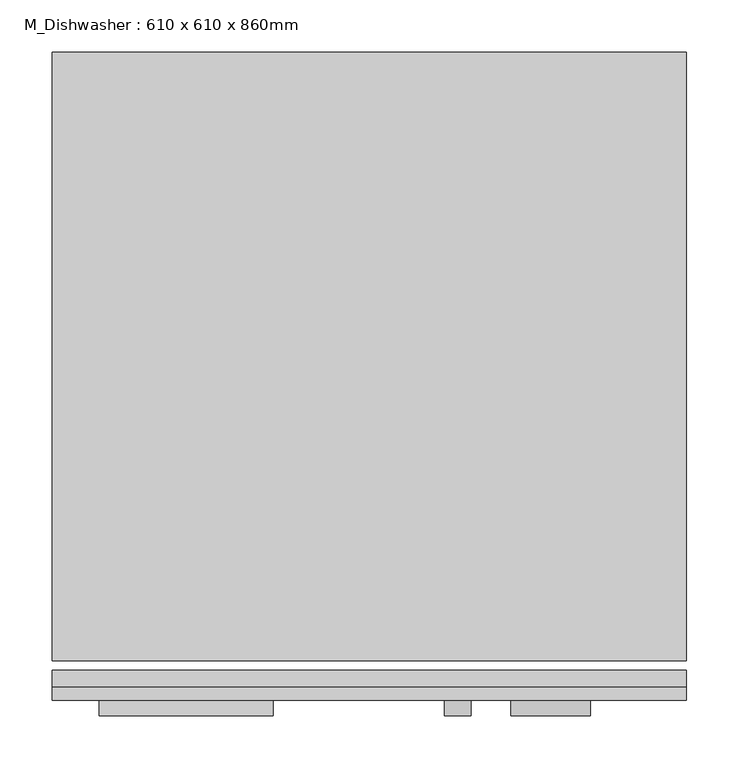
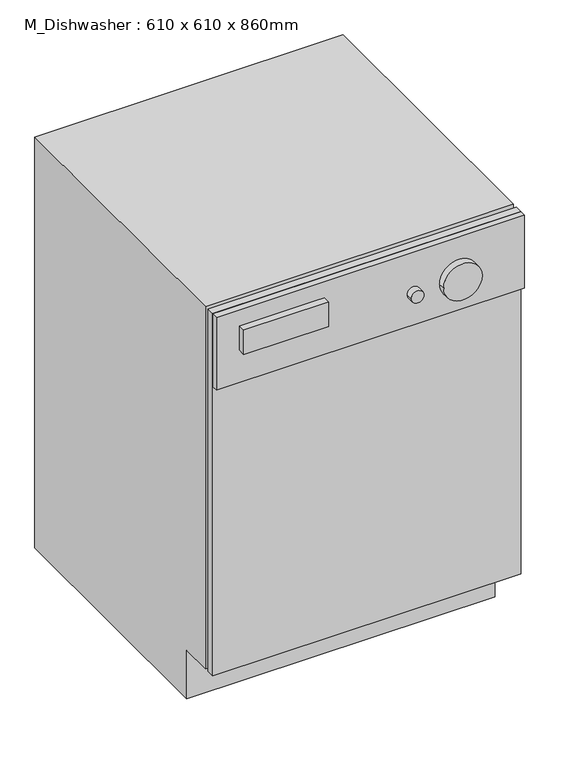
"""IFC4 building model written with IfcOpenShell, lengths in millimetres: proxy geometry, M_Dishwasher : 610 x 610 x 860mm."""

from ifc_helpers import new_model, si_unit, point, frame, frame_2d, origin, place, context, project, spatial, polyline, circle_curve, trimmed, segment, composite_curve, outline, extrude, faceted_brep, source, transform, mapped, element, save


def m_dishwasher_610_x_610_x_860mm_15a306fc(model_context):
    return source(origin(), model_context, "Body", "SolidModel", [
        faceted_brep([(687.5174685, 571.6495648, 0.0), (687.5174685, 571.6495648, 860.0), (687.5174685, -12.9504352, 860.0), (687.5174685, -12.9504352, 101.6), (687.5174685, 50.5495648, 101.6), (687.5174685, 50.5495648, 0.0), (77.5174685, 571.6495648, 0.0), (77.5174685, 50.5495648, 0.0), (77.5174685, 50.5495648, 101.6), (77.5174685, -12.9504352, 101.6), (77.5174685, -12.9504352, 860.0), (77.5174685, 571.6495648, 860.0), (494.4438484, 370.2504315, 0.0), (624.4438484, 370.2504315, 0.0), (624.4438484, 500.2504315, 0.0), (494.4438484, 500.2504315, 0.0), (494.4438484, 370.2504315, 25.9666701), (494.4438484, 500.2504315, 25.9666701), (624.4438484, 500.2504315, 25.9666701), (624.4438484, 370.2504315, 25.9666701)], [[[0, 1, 2, 3, 4, 5]], [[6, 7, 8, 9, 10, 11]], [[1, 0, 6, 11]], [[2, 1, 11, 10]], [[3, 2, 10, 9]], [[4, 3, 9, 8]], [[5, 4, 8, 7]], [[0, 5, 7, 6], [12, 13, 14, 15]], [[16, 17, 18, 19]], [[16, 19, 13, 12]], [[19, 18, 14, 13]], [[18, 17, 15, 14]], [[17, 16, 12, 15]]]),
        extrude(outline(polyline([(687.5174685, -38.3504352), (77.5174685, -38.3504352), (77.5174685, -22.4754352), (687.5174685, -22.4754352), (687.5174685, -38.3504352)])), frame((0.0, 0.0, 101.6), z_axis=(0.0, 0.0, 1.0), x_axis=(1.0, 0.0, 0.0)), (0.0, 0.0, 1.0), 758.4),
        extrude(outline(polyline([(687.5174685, -38.3504352), (687.5174685, -51.0504352), (77.5174685, -51.0504352), (77.5174685, -38.3504352), (687.5174685, -38.3504352)])), frame((0.0, 0.0, 707.6), z_axis=(0.0, 0.0, 1.0), x_axis=(1.0, 0.0, 0.0)), (0.0, 0.0, 1.0), 152.4),
        extrude(outline(polyline([(290.2347603, -66.0504352), (122.8347603, -66.0504352), (122.8347603, -51.0504352), (290.2347603, -51.0504352), (290.2347603, -66.0504352)])), frame((0.0, 0.0, 775.6663551), z_axis=(0.0, 0.0, 1.0), x_axis=(1.0, 0.0, 0.0)), (0.0, 0.0, 1.0), 50.8),
        extrude(outline(composite_curve([segment(trimmed(circle_curve(frame_2d((775.6663551, 467.3393328)), 12.7), [point((775.6663551, 480.0393328))], [point((775.6663551, 454.6393328))], False, "CARTESIAN"), True, "CONTINUOUS"), segment(trimmed(circle_curve(frame_2d((775.6663551, 467.3393328)), 12.7), [point((775.6663551, 454.6393328))], [point((775.6663551, 480.0393328))], False, "CARTESIAN"), True, "CONTINUOUS")], self_intersect=False)), frame((0.0, -66.0504352, 0.0), z_axis=(0.0, 1.0, 0.0), x_axis=(0.0, 0.0, 1.0)), (0.0, 0.0, 1.0), 15.0),
        extrude(outline(composite_curve([segment(trimmed(circle_curve(frame_2d((775.6663551, 556.7855874)), 38.1), [point((775.6663551, 594.8855874))], [point((775.6663551, 518.6855874))], False, "CARTESIAN"), True, "CONTINUOUS"), segment(trimmed(circle_curve(frame_2d((775.6663551, 556.7855874)), 38.1), [point((775.6663551, 518.6855874))], [point((775.6663551, 594.8855874))], False, "CARTESIAN"), True, "CONTINUOUS")], self_intersect=False)), frame((0.0, -66.0504352, 0.0), z_axis=(0.0, 1.0, 0.0), x_axis=(0.0, 0.0, 1.0)), (0.0, 0.0, 1.0), 15.0),
    ])


if __name__ == "__main__":
    model = new_model("IFC4")
    model_context = context("Model", 3, world=origin())
    ifc_project = project(units=[si_unit("LENGTHUNIT", "METRE", prefix="MILLI")], contexts=[model_context])
    site = spatial("IfcSite", under=ifc_project)
    building = spatial("IfcBuilding", under=site)
    placement = place(None, origin())
    m_dishwasher_610_x_610_x_860mm_shape = m_dishwasher_610_x_610_x_860mm_15a306fc(model_context)
    element("IfcBuildingElementProxy", 1, Name="M_Dishwasher : 610 x 610 x 860mm", ObjectType="M_Dishwasher : 610 x 610 x 860mm", at=placement, inside=building, context=model_context, shape_type="MappedRepresentation", body=[
        mapped(m_dishwasher_610_x_610_x_860mm_shape, transform((0.0, 0.0, 0.0), x_axis=(1.0, 0.0, 0.0), y_axis=(0.0, 1.0, 0.0), z_axis=(0.0, 0.0, 1.0))),
    ])
    save(model, "model.ifc")
